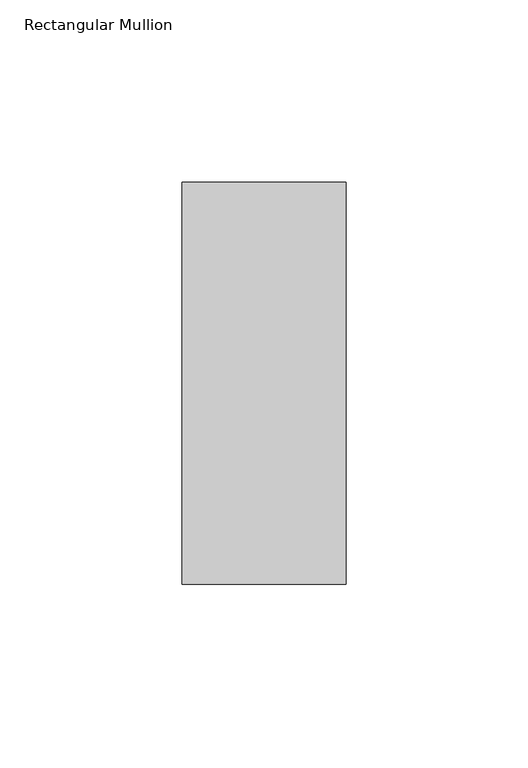
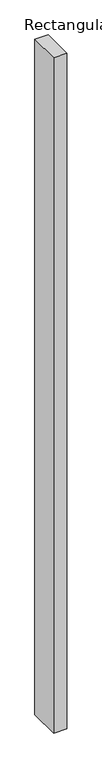
"""IFC4 building model written with IfcOpenShell, lengths in millimetres: member geometry, Rectangular Mullion."""

from ifc_helpers import new_model, si_unit, frame, origin, place, context, project, spatial, polyline, outline, extrude, source, transform, mapped, element, save


def rectangular_mullion_5432cafb(model_context):
    return source(origin(), model_context, "Body", "SweptSolid", [
        extrude(outline(polyline([(-45.0, -70.7), (-45.0, 39.7), (0.0, 39.7), (0.0, -70.7), (-45.0, -70.7)])), frame((0.0, 0.0, -2438.4), z_axis=(0.0, 0.0, 1.0), x_axis=(1.0, 0.0, 0.0)), (0.0, 0.0, 1.0), 2438.4),
    ])


if __name__ == "__main__":
    model = new_model("IFC4")
    model_context = context("Model", 3, world=origin())
    ifc_project = project(units=[si_unit("LENGTHUNIT", "METRE", prefix="MILLI")], contexts=[model_context])
    site = spatial("IfcSite", under=ifc_project)
    building = spatial("IfcBuilding", under=site)
    placement = place(None, origin())
    rectangular_mullion_shape = rectangular_mullion_5432cafb(model_context)
    element("IfcMember", 1, ObjectType="Rectangular Mullion", at=placement, inside=building, context=model_context, shape_type="MappedRepresentation", body=[
        mapped(rectangular_mullion_shape, transform((0.0, 0.0, 0.0), x_axis=(1.0, 0.0, 0.0), y_axis=(0.0, 1.0, 0.0), z_axis=(0.0, 0.0, 1.0))),
    ])
    save(model, "model.ifc")
